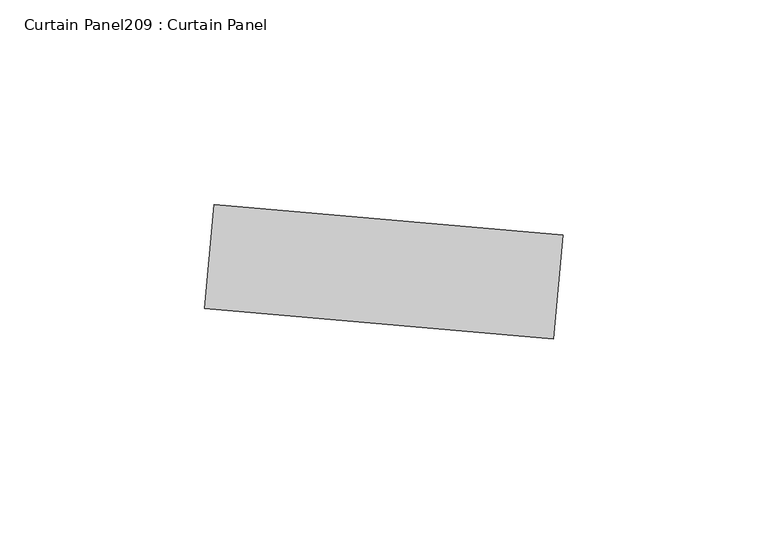
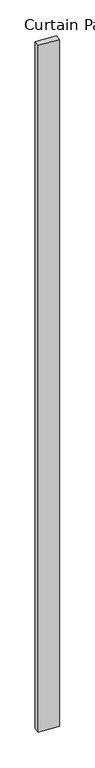
"""IFC4 building model written with IfcOpenShell, lengths in millimetres: plate geometry, Curtain Panel209 : Curtain Panel."""

from ifc_helpers import new_model, si_unit, frame, origin, place, context, project, spatial, polyline, outline, extrude, source, transform, mapped, element, save


def curtain_panel209_curtain_panel_fd3855d2(model_context):
    return source(origin(), model_context, "Body", "SweptSolid", [
        extrude(outline(polyline([(620350.5909266, 2418.8226181), (620435.7543225, 2411.3717864), (620433.5405666, 2386.068441), (620348.3771707, 2393.5192727), (620350.5909266, 2418.8226181)])), frame((0.0, 0.0, 4959.7989371), z_axis=(0.0, 0.0, 1.0), x_axis=(1.0, 0.0, 0.0)), (0.0, 0.0, 1.0), 3048.0),
    ])


if __name__ == "__main__":
    model = new_model("IFC4")
    model_context = context("Model", 3, world=origin())
    ifc_project = project(units=[si_unit("LENGTHUNIT", "METRE", prefix="MILLI")], contexts=[model_context])
    site = spatial("IfcSite", under=ifc_project)
    building = spatial("IfcBuilding", under=site)
    placement = place(None, origin())
    curtain_panel209_curtain_panel_shape = curtain_panel209_curtain_panel_fd3855d2(model_context)
    element("IfcPlate", 1, ObjectType="Curtain Panel209 : Curtain Panel", at=placement, inside=building, context=model_context, shape_type="MappedRepresentation", body=[
        mapped(curtain_panel209_curtain_panel_shape, transform((0.0, 0.0, 0.0), x_axis=(1.0, 0.0, 0.0), y_axis=(0.0, 1.0, 0.0), z_axis=(0.0, 0.0, 1.0))),
    ])
    save(model, "model.ifc")
